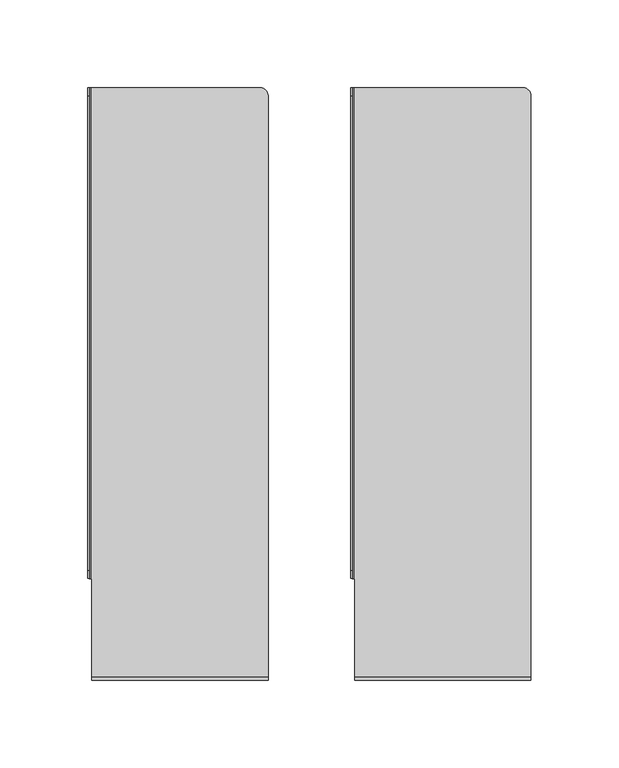
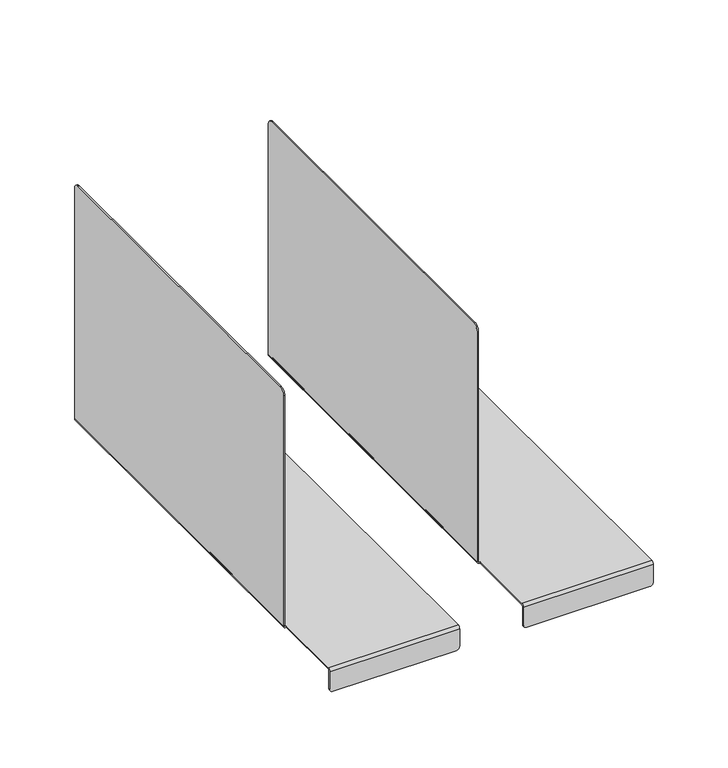
"""IFC4 building model written with IfcOpenShell, lengths in millimetres: furniture geometry."""

from ifc_helpers import new_model, si_unit, frame, origin, place, context, project, spatial, polyline, circle_curve, source, transform, mapped, element, save
from ifc_brep_helpers import plane_surface, cylinder_surface, revolved_surface, advanced_brep


def furniture_ca8b7339(model_context):
    return source(origin(), model_context, "Body", "AdvancedBrep", [
        advanced_brep(
        [(-149.0, 64.5937353, 311.9999797), (-149.0, 60.0937353, 307.4999797), (-149.0, 60.0937353, 119.0008016), (-149.0, 340.0976425, 119.0008016), (-149.0, 340.0976425, 307.4999797), (-149.0, 335.5976425, 311.9999797), (-150.0, 64.5937353, 311.9999797), (-150.0, 335.5976425, 311.9999797), (-150.0, 340.0976425, 307.4999797), (-150.0, 340.0976425, 119.0), (-150.0, 60.0937353, 119.0), (-150.0, 60.0937353, 307.4999797), (-148.0, 60.0937353, 117.0), (-147.6015625, 60.0937353, 117.0), (-147.6015625, 60.0937353, 118.0008016), (-148.0, 60.0937353, 118.0008016), (-148.0, 340.0976425, 118.0008016), (-51.5996086, 340.0976425, 118.0008016), (-51.5996086, 340.0976425, 117.0), (-148.0, 340.0976425, 117.0), (-47.0996086, 335.5976425, 118.0008016), (-147.6015625, 4.0, 118.0008016), (-47.0996086, 4.0, 118.0008016), (-47.0996086, 335.5976425, 117.0), (-47.0996086, 4.0, 117.0), (-147.6015625, 4.0, 117.0), (-47.0996086, 2.0, 116.0008016), (-47.0996086, 2.0, 101.4000147), (-47.0996086, 3.0, 101.4000147), (-47.0996086, 3.0, 116.0), (-147.6015625, 3.0, 116.0), (-147.6015625, 3.0, 101.4000147), (-147.6015625, 2.0, 101.4000147), (-147.6015625, 2.0, 116.0008016), (-145.1015625, 2.0, 98.9000147), (-49.5996086, 2.0, 98.9000147), (-49.5996086, 3.0, 98.9000147), (-145.1015625, 3.0, 98.9000147)],
        [
            (0, 1, circle_curve(frame((-149.0, 64.5937353, 307.4999797), z_axis=(1.0, 0.0, 0.0), x_axis=(0.0, -1.0, 0.0)), 4.5)),
            (1, 2),
            (2, 3),
            (3, 4),
            (4, 5, circle_curve(frame((-149.0, 335.5976425, 307.4999797), z_axis=(1.0, 0.0, 0.0), x_axis=(0.0, -1.0, 0.0)), 4.5)),
            (5, 0),
            (6, 7),
            (7, 8, circle_curve(frame((-150.0, 335.5976425, 307.4999797), z_axis=(-1.0, 0.0, 0.0), x_axis=(0.0, -1.0, 0.0)), 4.5)),
            (8, 9),
            (9, 10),
            (10, 11),
            (11, 6, circle_curve(frame((-150.0, 64.5937353, 307.4999797), z_axis=(-1.0, 0.0, 0.0), x_axis=(0.0, -1.0, 0.0)), 4.5)),
            (0, 6),
            (11, 1),
            (10, 12, circle_curve(frame((-148.0, 60.0937353, 119.0), z_axis=(0.0, -1.0, 0.0), x_axis=(1.0, 0.0, 0.0)), 2.0)),
            (12, 13),
            (13, 14),
            (14, 15),
            (15, 2, circle_curve(frame((-148.0, 60.0937353, 119.0008016), z_axis=(0.0, 1.0, 0.0), x_axis=(1.0, 0.0, 0.0)), 1.0)),
            (8, 4),
            (3, 16, circle_curve(frame((-148.0, 340.0976425, 119.0008016), z_axis=(0.0, -1.0, 0.0), x_axis=(1.0, 0.0, 0.0)), 1.0)),
            (16, 17),
            (17, 18),
            (18, 19),
            (19, 9, circle_curve(frame((-148.0, 340.0976425, 119.0), z_axis=(0.0, 1.0, 0.0), x_axis=(1.0, 0.0, 0.0)), 2.0)),
            (7, 5),
            (20, 17, circle_curve(frame((-51.5996086, 335.5976425, 118.0008016), z_axis=(0.0, 0.0, 1.0), x_axis=(1.0, 0.0, 0.0)), 4.5)),
            (16, 15),
            (14, 21),
            (21, 22),
            (22, 20),
            (18, 23, circle_curve(frame((-51.5996086, 335.5976425, 117.0), z_axis=(0.0, 0.0, -1.0), x_axis=(1.0, 0.0, 0.0)), 4.5)),
            (23, 24),
            (24, 25),
            (25, 13),
            (12, 19),
            (20, 23),
            (22, 26, circle_curve(frame((-47.0996086, 4.0, 116.0008016), z_axis=(1.0, 0.0, 0.0), x_axis=(0.0, -1.0, 0.0)), 2.0)),
            (26, 27),
            (27, 28),
            (28, 29),
            (29, 24, circle_curve(frame((-47.0996086, 4.0, 116.0), z_axis=(-1.0, 0.0, 0.0), x_axis=(0.0, -1.0, 0.0)), 1.0)),
            (25, 30, circle_curve(frame((-147.6015625, 4.0, 116.0), z_axis=(1.0, 0.0, 0.0), x_axis=(0.0, -1.0, 0.0)), 1.0)),
            (30, 31),
            (31, 32),
            (32, 33),
            (33, 21, circle_curve(frame((-147.6015625, 4.0, 116.0008016), z_axis=(-1.0, 0.0, 0.0), x_axis=(0.0, -1.0, 0.0)), 2.0)),
            (33, 26),
            (32, 34, circle_curve(frame((-145.1015625, 2.0, 101.4000147), z_axis=(0.0, -1.0, 0.0), x_axis=(1.0, 0.0, 0.0)), 2.5)),
            (34, 35),
            (35, 27, circle_curve(frame((-49.5996086, 2.0, 101.4000147), z_axis=(0.0, -1.0, 0.0), x_axis=(1.0, 0.0, 0.0)), 2.5)),
            (28, 36, circle_curve(frame((-49.5996086, 3.0, 101.4000147), z_axis=(0.0, 1.0, 0.0), x_axis=(1.0, 0.0, 0.0)), 2.5)),
            (36, 37),
            (37, 31, circle_curve(frame((-145.1015625, 3.0, 101.4000147), z_axis=(0.0, 1.0, 0.0), x_axis=(1.0, 0.0, 0.0)), 2.5)),
            (30, 29),
            (37, 34),
            (36, 35),
        ],
        [
            plane_surface(frame((-149.0, 60.0937353, 307.4999797), z_axis=(1.0, 0.0, 0.0), x_axis=(0.0, 0.0, -1.0))),
            plane_surface(frame((-150.0, 60.0937353, 307.4999797), z_axis=(-1.0, 0.0, 0.0), x_axis=(0.0, 0.0, 1.0))),
            cylinder_surface(frame((-150.0, 64.5937353, 307.4999797), z_axis=(1.0, 0.0, 0.0), x_axis=(0.0, -1.0, 0.0)), 4.5),
            plane_surface(frame((-149.0, 60.0937353, 307.4999797), z_axis=(0.0, -1.0, 0.0), x_axis=(-1.0, 0.0, 0.0))),
            plane_surface(frame((-149.0, 340.0976425, 122.0), z_axis=(0.0, 1.0, 0.0), x_axis=(-1.0, 0.0, 0.0))),
            cylinder_surface(frame((-150.0, 335.5976425, 307.4999797), z_axis=(1.0, 0.0, 0.0), x_axis=(0.0, -1.0, 0.0)), 4.5),
            plane_surface(frame((-149.0, 335.5976425, 311.9999797), z_axis=(0.0, 0.0, 1.0), x_axis=(-1.0, 0.0, 0.0))),
            plane_surface(frame((-47.0996086, 335.5976425, 118.0008016), z_axis=(0.0, 0.0, 1.0), x_axis=(0.0, 1.0, 0.0))),
            plane_surface(frame((-47.0996086, 335.5976425, 117.0), z_axis=(0.0, 0.0, -1.0), x_axis=(0.0, -1.0, 0.0))),
            cylinder_surface(frame((-51.5996086, 335.5976425, 117.0), z_axis=(0.0, 0.0, 1.0), x_axis=(1.0, 0.0, 0.0)), 4.5),
            plane_surface(frame((-47.0996086, 60.0937353, 118.0008016), z_axis=(1.0, 0.0, 0.0), x_axis=(0.0, 0.0, -1.0))),
            cylinder_surface(frame((-148.0, 340.0976425, 119.0), z_axis=(0.0, -1.0, 0.0), x_axis=(1.0, 0.0, 0.0)), 2.0),
            revolved_surface(polyline([(-147.0, 340.0976425, 119.0008016), (-147.0, 60.09373529999999, 119.0008016)]), (-148.0, 340.0976425, 119.0008016), (0.0, 1.0, 0.0)),
            plane_surface(frame((-147.6015625, 60.0937353, 118.0008016), z_axis=(-1.0, 0.0, 0.0), x_axis=(0.0, 0.0, -1.0))),
            cylinder_surface(frame((-147.6015625, 4.0, 116.0008016), z_axis=(1.0, 0.0, 0.0), x_axis=(0.0, -1.0, 0.0)), 2.0),
            plane_surface(frame((-47.0996086, 2.0, 116.0008016), z_axis=(0.0, -1.0, 0.0), x_axis=(-1.0, 0.0, 0.0))),
            plane_surface(frame((-47.0996086, 3.0, 114.5), z_axis=(0.0, 1.0, 0.0), x_axis=(-1.0, 0.0, 0.0))),
            revolved_surface(polyline([(-147.6015625, 3.0, 116.0), (-47.09960860000001, 3.0, 116.0)]), (-147.6015625, 4.0, 116.0), (-1.0, 0.0, 0.0)),
            cylinder_surface(frame((-145.1015625, 3.0, 101.4000147), z_axis=(0.0, -1.0, 0.0), x_axis=(1.0, 0.0, 0.0)), 2.5),
            plane_surface(frame((-145.1015625, 2.0, 98.9000147), z_axis=(0.0, 0.0, -1.0), x_axis=(0.0, 1.0, 0.0))),
            cylinder_surface(frame((-49.5996086, 3.0, 101.4000147), z_axis=(0.0, -1.0, 0.0), x_axis=(1.0, 0.0, 0.0)), 2.5),
        ],
        [
            (0, [[1, 2, 3, 4, 5, 6]]),
            (1, [[7, 8, 9, 10, 11, 12]]),
            (2, [[-1, 13, -12, 14]]),
            (3, [[-14, -11, 15, 16, 17, 18, 19, -2]]),
            (4, [[20, -4, 21, 22, 23, 24, 25, -9]]),
            (5, [[-5, -20, -8, 26]]),
            (6, [[-6, -26, -7, -13]]),
            (7, [[27, -22, 28, -18, 29, 30, 31]]),
            (8, [[32, 33, 34, 35, -16, 36, -24]]),
            (9, [[-27, 37, -32, -23]]),
            (10, [[-37, -31, 38, 39, 40, 41, 42, -33]]),
            (11, [[-15, -10, -25, -36]]),
            (12, [[-19, -28, -21, -3]]),
            (13, [[-35, 43, 44, 45, 46, 47, -29, -17]]),
            (14, [[-38, -30, -47, 48]]),
            (15, [[-39, -48, -46, 49, 50, 51]]),
            (16, [[-41, 52, 53, 54, -44, 55]]),
            (17, [[-42, -55, -43, -34]]),
            (18, [[-49, -45, -54, 56]]),
            (19, [[-50, -56, -53, 57]]),
            (20, [[-51, -57, -52, -40]]),
        ],
    ),
        advanced_brep(
        [(1.0, 64.5937353, 311.9999797), (1.0, 60.0937353, 307.4999797), (1.0, 60.0937353, 119.0008016), (1.0, 340.0976425, 119.0008016), (1.0, 340.0976425, 307.4999797), (1.0, 335.5976425, 311.9999797), (0.0, 64.5937353, 311.9999797), (0.0, 335.5976425, 311.9999797), (0.0, 340.0976425, 307.4999797), (0.0, 340.0976425, 119.0), (0.0, 60.0937353, 119.0), (0.0, 60.0937353, 307.4999797), (2.0, 60.0937353, 117.0), (2.3984375, 60.0937353, 117.0), (2.3984375, 60.0937353, 118.0008016), (2.0, 60.0937353, 118.0008016), (2.0, 340.0976425, 118.0008016), (98.4003914, 340.0976425, 118.0008016), (98.4003914, 340.0976425, 117.0), (2.0, 340.0976425, 117.0), (102.9003914, 335.5976425, 118.0008016), (2.3984375, 4.0, 118.0008016), (102.9003914, 4.0, 118.0008016), (102.9003914, 335.5976425, 117.0), (102.9003914, 4.0, 117.0), (2.3984375, 4.0, 117.0), (102.9003914, 2.0, 116.0008016), (102.9003914, 2.0, 101.4000147), (102.9003914, 3.0, 101.4000147), (102.9003914, 3.0, 116.0), (2.3984375, 3.0, 116.0), (2.3984375, 3.0, 101.4000147), (2.3984375, 2.0, 101.4000147), (2.3984375, 2.0, 116.0008016), (4.8984375, 2.0, 98.9000147), (100.4003914, 2.0, 98.9000147), (100.4003914, 3.0, 98.9000147), (4.8984375, 3.0, 98.9000147)],
        [
            (0, 1, circle_curve(frame((1.0, 64.5937353, 307.4999797), z_axis=(1.0, 0.0, 0.0), x_axis=(0.0, -1.0, 0.0)), 4.5)),
            (1, 2),
            (2, 3),
            (3, 4),
            (4, 5, circle_curve(frame((1.0, 335.5976425, 307.4999797), z_axis=(1.0, 0.0, 0.0), x_axis=(0.0, -1.0, 0.0)), 4.5)),
            (5, 0),
            (6, 7),
            (7, 8, circle_curve(frame((0.0, 335.5976425, 307.4999797), z_axis=(-1.0, 0.0, 0.0), x_axis=(0.0, -1.0, 0.0)), 4.5)),
            (8, 9),
            (9, 10),
            (10, 11),
            (11, 6, circle_curve(frame((0.0, 64.5937353, 307.4999797), z_axis=(-1.0, 0.0, 0.0), x_axis=(0.0, -1.0, 0.0)), 4.5)),
            (0, 6),
            (11, 1),
            (10, 12, circle_curve(frame((2.0, 60.0937353, 119.0), z_axis=(0.0, -1.0, 0.0), x_axis=(1.0, 0.0, 0.0)), 2.0)),
            (12, 13),
            (13, 14),
            (14, 15),
            (15, 2, circle_curve(frame((2.0, 60.0937353, 119.0008016), z_axis=(0.0, 1.0, 0.0), x_axis=(1.0, 0.0, 0.0)), 1.0)),
            (8, 4),
            (3, 16, circle_curve(frame((2.0, 340.0976425, 119.0008016), z_axis=(0.0, -1.0, 0.0), x_axis=(1.0, 0.0, 0.0)), 1.0)),
            (16, 17),
            (17, 18),
            (18, 19),
            (19, 9, circle_curve(frame((2.0, 340.0976425, 119.0), z_axis=(0.0, 1.0, 0.0), x_axis=(1.0, 0.0, 0.0)), 2.0)),
            (7, 5),
            (20, 17, circle_curve(frame((98.4003914, 335.5976425, 118.0008016), z_axis=(0.0, 0.0, 1.0), x_axis=(1.0, 0.0, 0.0)), 4.5)),
            (16, 15),
            (14, 21),
            (21, 22),
            (22, 20),
            (18, 23, circle_curve(frame((98.4003914, 335.5976425, 117.0), z_axis=(0.0, 0.0, -1.0), x_axis=(1.0, 0.0, 0.0)), 4.5)),
            (23, 24),
            (24, 25),
            (25, 13),
            (12, 19),
            (20, 23),
            (22, 26, circle_curve(frame((102.9003914, 4.0, 116.0008016), z_axis=(1.0, 0.0, 0.0), x_axis=(0.0, -1.0, 0.0)), 2.0)),
            (26, 27),
            (27, 28),
            (28, 29),
            (29, 24, circle_curve(frame((102.9003914, 4.0, 116.0), z_axis=(-1.0, 0.0, 0.0), x_axis=(0.0, -1.0, 0.0)), 1.0)),
            (25, 30, circle_curve(frame((2.3984375, 4.0, 116.0), z_axis=(1.0, 0.0, 0.0), x_axis=(0.0, -1.0, 0.0)), 1.0)),
            (30, 31),
            (31, 32),
            (32, 33),
            (33, 21, circle_curve(frame((2.3984375, 4.0, 116.0008016), z_axis=(-1.0, 0.0, 0.0), x_axis=(0.0, -1.0, 0.0)), 2.0)),
            (33, 26),
            (32, 34, circle_curve(frame((4.8984375, 2.0, 101.4000147), z_axis=(0.0, -1.0, 0.0), x_axis=(1.0, 0.0, 0.0)), 2.5)),
            (34, 35),
            (35, 27, circle_curve(frame((100.4003914, 2.0, 101.4000147), z_axis=(0.0, -1.0, 0.0), x_axis=(1.0, 0.0, 0.0)), 2.5)),
            (28, 36, circle_curve(frame((100.4003914, 3.0, 101.4000147), z_axis=(0.0, 1.0, 0.0), x_axis=(1.0, 0.0, 0.0)), 2.5)),
            (36, 37),
            (37, 31, circle_curve(frame((4.8984375, 3.0, 101.4000147), z_axis=(0.0, 1.0, 0.0), x_axis=(1.0, 0.0, 0.0)), 2.5)),
            (30, 29),
            (37, 34),
            (36, 35),
        ],
        [
            plane_surface(frame((1.0, 60.0937353, 307.4999797), z_axis=(1.0, 0.0, 0.0), x_axis=(0.0, 0.0, -1.0))),
            plane_surface(frame((0.0, 60.0937353, 307.4999797), z_axis=(-1.0, 0.0, 0.0), x_axis=(0.0, 0.0, 1.0))),
            cylinder_surface(frame((0.0, 64.5937353, 307.4999797), z_axis=(1.0, 0.0, 0.0), x_axis=(0.0, -1.0, 0.0)), 4.5),
            plane_surface(frame((1.0, 60.0937353, 307.4999797), z_axis=(0.0, -1.0, 0.0), x_axis=(-1.0, 0.0, 0.0))),
            plane_surface(frame((1.0, 340.0976425, 122.0), z_axis=(0.0, 1.0, 0.0), x_axis=(-1.0, 0.0, 0.0))),
            cylinder_surface(frame((0.0, 335.5976425, 307.4999797), z_axis=(1.0, 0.0, 0.0), x_axis=(0.0, -1.0, 0.0)), 4.5),
            plane_surface(frame((1.0, 335.5976425, 311.9999797), z_axis=(0.0, 0.0, 1.0), x_axis=(-1.0, 0.0, 0.0))),
            plane_surface(frame((102.9003914, 335.5976425, 118.0008016), z_axis=(0.0, 0.0, 1.0), x_axis=(0.0, 1.0, 0.0))),
            plane_surface(frame((102.9003914, 335.5976425, 117.0), z_axis=(0.0, 0.0, -1.0), x_axis=(0.0, -1.0, 0.0))),
            cylinder_surface(frame((98.4003914, 335.5976425, 117.0), z_axis=(0.0, 0.0, 1.0), x_axis=(1.0, 0.0, 0.0)), 4.5),
            plane_surface(frame((102.9003914, 60.0937353, 118.0008016), z_axis=(1.0, 0.0, 0.0), x_axis=(0.0, 0.0, -1.0))),
            cylinder_surface(frame((2.0, 340.0976425, 119.0), z_axis=(0.0, -1.0, 0.0), x_axis=(1.0, 0.0, 0.0)), 2.0),
            revolved_surface(polyline([(3.0, 340.0976425, 119.0008016), (3.0, 60.09373529999999, 119.0008016)]), (2.0, 340.0976425, 119.0008016), (0.0, 1.0, 0.0)),
            plane_surface(frame((2.3984375, 60.0937353, 118.0008016), z_axis=(-1.0, 0.0, 0.0), x_axis=(0.0, 0.0, -1.0))),
            cylinder_surface(frame((2.3984375, 4.0, 116.0008016), z_axis=(1.0, 0.0, 0.0), x_axis=(0.0, -1.0, 0.0)), 2.0),
            plane_surface(frame((102.9003914, 2.0, 116.0008016), z_axis=(0.0, -1.0, 0.0), x_axis=(-1.0, 0.0, 0.0))),
            plane_surface(frame((102.9003914, 3.0, 114.5), z_axis=(0.0, 1.0, 0.0), x_axis=(-1.0, 0.0, 0.0))),
            revolved_surface(polyline([(2.3984375, 3.0, 116.0), (102.9003914, 3.0, 116.0)]), (2.3984375, 4.0, 116.0), (-1.0, 0.0, 0.0)),
            cylinder_surface(frame((4.8984375, 3.0, 101.4000147), z_axis=(0.0, -1.0, 0.0), x_axis=(1.0, 0.0, 0.0)), 2.5),
            plane_surface(frame((4.8984375, 2.0, 98.9000147), z_axis=(0.0, 0.0, -1.0), x_axis=(0.0, 1.0, 0.0))),
            cylinder_surface(frame((100.4003914, 3.0, 101.4000147), z_axis=(0.0, -1.0, 0.0), x_axis=(1.0, 0.0, 0.0)), 2.5),
        ],
        [
            (0, [[1, 2, 3, 4, 5, 6]]),
            (1, [[7, 8, 9, 10, 11, 12]]),
            (2, [[-1, 13, -12, 14]]),
            (3, [[-14, -11, 15, 16, 17, 18, 19, -2]]),
            (4, [[20, -4, 21, 22, 23, 24, 25, -9]]),
            (5, [[-5, -20, -8, 26]]),
            (6, [[-6, -26, -7, -13]]),
            (7, [[27, -22, 28, -18, 29, 30, 31]]),
            (8, [[32, 33, 34, 35, -16, 36, -24]]),
            (9, [[-27, 37, -32, -23]]),
            (10, [[-37, -31, 38, 39, 40, 41, 42, -33]]),
            (11, [[-15, -10, -25, -36]]),
            (12, [[-19, -28, -21, -3]]),
            (13, [[-35, 43, 44, 45, 46, 47, -29, -17]]),
            (14, [[-38, -30, -47, 48]]),
            (15, [[-39, -48, -46, 49, 50, 51]]),
            (16, [[-41, 52, 53, 54, -44, 55]]),
            (17, [[-42, -55, -43, -34]]),
            (18, [[-49, -45, -54, 56]]),
            (19, [[-50, -56, -53, 57]]),
            (20, [[-51, -57, -52, -40]]),
        ],
    ),
    ])


if __name__ == "__main__":
    model = new_model("IFC4")
    model_context = context("Model", 3, world=origin())
    ifc_project = project(units=[si_unit("LENGTHUNIT", "METRE", prefix="MILLI")], contexts=[model_context])
    site = spatial("IfcSite", under=ifc_project)
    building = spatial("IfcBuilding", under=site)
    placement = place(None, origin())
    furniture_shape = furniture_ca8b7339(model_context)
    element("IfcFurniture", 1, at=placement, inside=building, context=model_context, shape_type="MappedRepresentation", body=[
        mapped(furniture_shape, transform((0.0, 0.0, 0.0), x_axis=(1.0, 0.0, 0.0), y_axis=(0.0, 1.0, 0.0), z_axis=(0.0, 0.0, 1.0))),
    ])
    save(model, "model.ifc")
